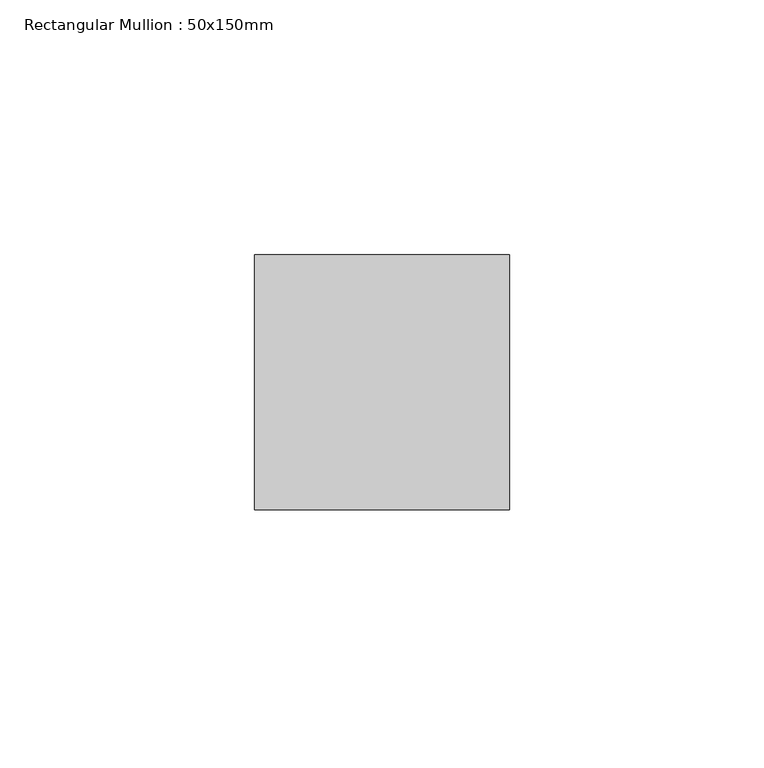
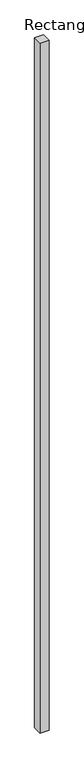
"""IFC4 building model written with IfcOpenShell, lengths in millimetres: member geometry, Rectangular Mullion : 50x150mm."""

from ifc_helpers import new_model, si_unit, frame, origin, place, context, project, spatial, polyline, outline, extrude, source, transform, mapped, element, save


def rectangular_mullion_50x150mm_91873ed0(model_context):
    return source(origin(), model_context, "Body", "SweptSolid", [
        extrude(outline(polyline([(25.0, 25.0), (25.0, -25.0), (-25.0, -25.0), (-25.0, 25.0), (25.0, 25.0)])), frame((0.0, 0.0, -4020.0), z_axis=(0.0, 0.0, 1.0), x_axis=(1.0, 0.0, 0.0)), (0.0, 0.0, 1.0), 4020.0),
    ])


if __name__ == "__main__":
    model = new_model("IFC4")
    model_context = context("Model", 3, world=origin())
    ifc_project = project(units=[si_unit("LENGTHUNIT", "METRE", prefix="MILLI")], contexts=[model_context])
    site = spatial("IfcSite", under=ifc_project)
    building = spatial("IfcBuilding", under=site)
    placement = place(None, origin())
    rectangular_mullion_50x150mm_shape = rectangular_mullion_50x150mm_91873ed0(model_context)
    element("IfcMember", 1, ObjectType="Rectangular Mullion : 50x150mm", at=placement, inside=building, context=model_context, shape_type="MappedRepresentation", body=[
        mapped(rectangular_mullion_50x150mm_shape, transform((0.0, 0.0, 0.0), x_axis=(1.0, 0.0, 0.0), y_axis=(0.0, 1.0, 0.0), z_axis=(0.0, 0.0, 1.0))),
    ])
    save(model, "model.ifc")
